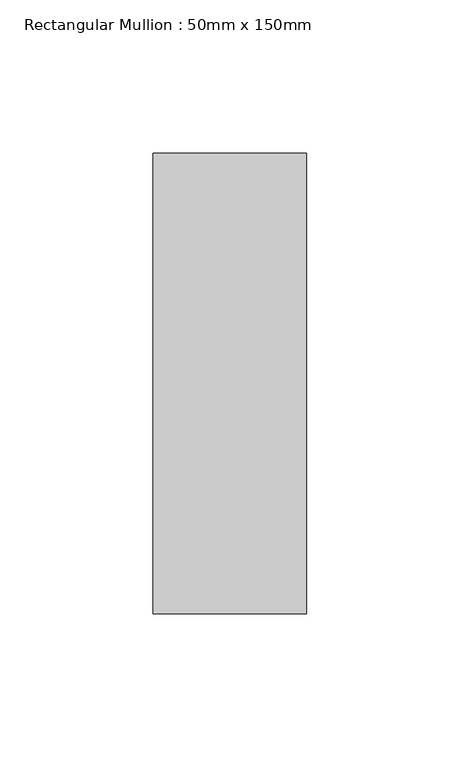
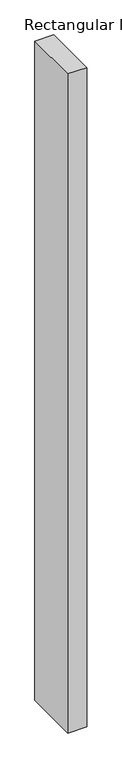
"""IFC4 building model written with IfcOpenShell, lengths in millimetres: member geometry, Rectangular Mullion : 50mm x 150mm."""

from ifc_helpers import new_model, si_unit, frame, origin, place, context, project, spatial, polyline, outline, extrude, source, transform, mapped, element, save


def rectangular_mullion_50mm_x_150mm_85f27f9f(model_context):
    return source(origin(), model_context, "Body", "SweptSolid", [
        extrude(outline(polyline([(0.0, 75.0), (0.0, -75.0), (-50.0, -75.0), (-50.0, 75.0), (0.0, 75.0)])), frame((0.0, 0.0, -1838.0447172), z_axis=(0.0, 0.0, 1.0), x_axis=(1.0, 0.0, 0.0)), (0.0, 0.0, 1.0), 1838.0447172),
    ])


if __name__ == "__main__":
    model = new_model("IFC4")
    model_context = context("Model", 3, world=origin())
    ifc_project = project(units=[si_unit("LENGTHUNIT", "METRE", prefix="MILLI")], contexts=[model_context])
    site = spatial("IfcSite", under=ifc_project)
    building = spatial("IfcBuilding", under=site)
    placement = place(None, origin())
    rectangular_mullion_50mm_x_150mm_shape = rectangular_mullion_50mm_x_150mm_85f27f9f(model_context)
    element("IfcMember", 1, ObjectType="Rectangular Mullion : 50mm x 150mm", at=placement, inside=building, context=model_context, shape_type="MappedRepresentation", body=[
        mapped(rectangular_mullion_50mm_x_150mm_shape, transform((0.0, 0.0, 0.0), x_axis=(1.0, 0.0, 0.0), y_axis=(0.0, 1.0, 0.0), z_axis=(0.0, 0.0, 1.0))),
    ])
    save(model, "model.ifc")
